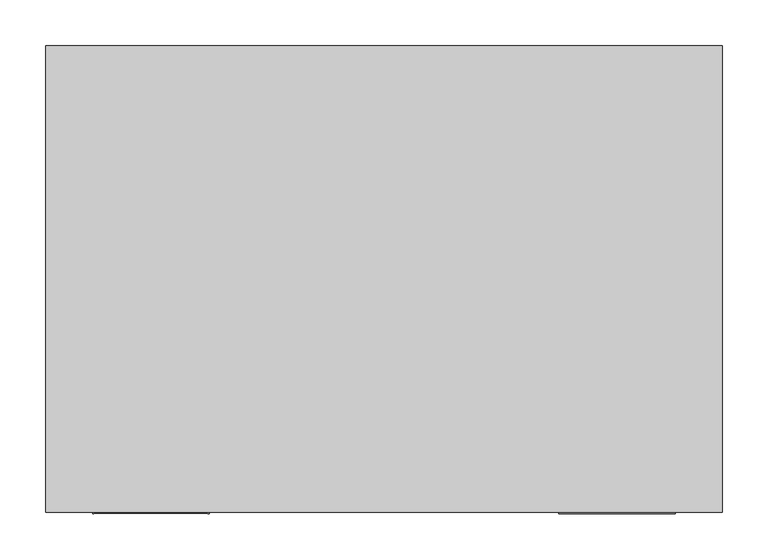
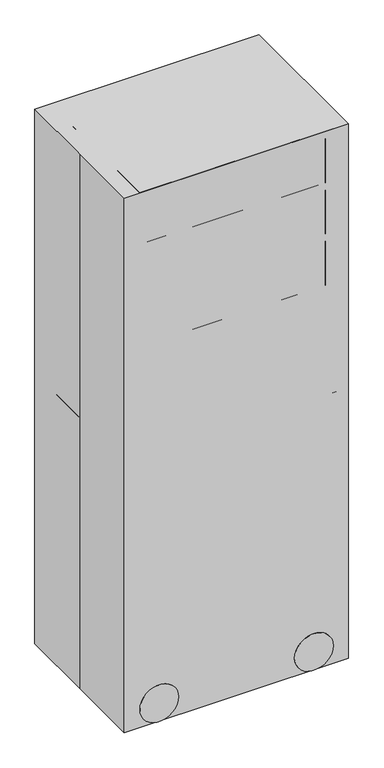
"""IFC4 building model written with IfcOpenShell, lengths in millimetres: proxy geometry."""

from ifc_helpers import new_model, si_unit, point, frame, frame_2d, origin, origin_with_axes, place, context, project, spatial, polyline, circle_curve, trimmed, segment, composite_curve, outline, extrude, source, transform, mapped, element, save
from ifc_brep_helpers import plane_surface, cylinder_surface, advanced_brep


def specialty_equipment_266f2fcc(model_context):
    return source(origin(), model_context, "Body", "SolidModel", [
        extrude(outline(polyline([(-368.3, 254.0), (368.3, 254.0), (368.3, -254.0), (-368.3, -254.0), (-368.3, 0.0), (-368.3, 254.0)])), origin_with_axes(), (0.0, 0.0, 1.0), 1854.2),
        extrude(outline(polyline([(-368.3, 254.0), (-317.5, 254.0), (-317.5, 228.6), (-342.9, 228.6), (-342.9, -228.6), (-317.5, -228.6), (-317.5, -254.0), (-368.3, -254.0), (-368.3, 254.0)])), frame((0.0, 0.0, 914.4), z_axis=(0.0, 0.0, 1.0), x_axis=(1.0, 0.0, 0.0)), (0.0, 0.0, 1.0), 25.4),
        extrude(outline(polyline([(368.3, 254.0), (368.3, -254.0), (317.5, -254.0), (317.5, -228.6), (342.9, -228.6), (342.9, 228.6), (317.5, 228.6), (317.5, 254.0), (368.3, 254.0)])), frame((0.0, 0.0, 914.4), z_axis=(0.0, 0.0, 1.0), x_axis=(1.0, 0.0, 0.0)), (0.0, 0.0, 1.0), 25.4),
        extrude(outline(polyline([(127.0, -317.5), (127.0, 317.5), (1828.8, 317.5), (1828.8, 292.1), (1676.4, 292.1), (1676.4, -292.1), (1828.8, -292.1), (1828.8, -317.5), (127.0, -317.5)]), holes=[polyline([(1651.0, -292.1), (1651.0, 292.1), (1498.6, 292.1), (1498.6, -292.1), (1651.0, -292.1)]), polyline([(1473.2, -292.1), (1473.2, 292.1), (1320.8, 292.1), (1320.8, -292.1), (1473.2, -292.1)])]), frame((0.0, -254.0, 0.0), z_axis=(0.0, 1.0, 0.0), x_axis=(0.0, 0.0, 1.0)), (0.0, 0.0, 1.0), 508.0),
        extrude(outline(composite_curve([segment(trimmed(circle_curve(frame_2d((63.5, 254.0)), 63.5), [point((63.5, 190.5))], [point((63.5, 317.5))], False, "CARTESIAN"), True, "CONTINUOUS"), segment(trimmed(circle_curve(frame_2d((63.5, 254.0)), 63.5), [point((63.5, 317.5))], [point((63.5, 190.5))], False, "CARTESIAN"), True, "CONTINUOUS")], self_intersect=False)), frame((0.0, 158.75, 0.0), z_axis=(0.0, 1.0, 0.0), x_axis=(0.0, 0.0, 1.0)), (0.0, 0.0, 1.0), 23.8125),
        extrude(outline(composite_curve([segment(trimmed(circle_curve(frame_2d((63.5, 254.0)), 63.5), [point((63.5, 190.5))], [point((63.5, 317.5))], False, "CARTESIAN"), True, "CONTINUOUS"), segment(trimmed(circle_curve(frame_2d((63.5, 254.0)), 63.5), [point((63.5, 317.5))], [point((63.5, 190.5))], False, "CARTESIAN"), True, "CONTINUOUS")], self_intersect=False)), frame((0.0, 230.1875, 0.0), z_axis=(0.0, 1.0, 0.0), x_axis=(0.0, 0.0, 1.0)), (0.0, 0.0, 1.0), 23.8125),
        advanced_brep(
        [(275.1666667, 227.5416667, 127.0), (275.1666667, 185.2083333, 127.0), (275.1666667, 227.5416667, 53.8442082), (295.2174332, 213.1569275, 53.8442082), (275.1666667, 185.2083333, 53.8442082), (254.0596152, 207.9625, 53.8442082), (275.1666667, 227.5416667, 100.1617421)],
        [
            (0, 1, circle_curve(frame((275.1666667, 206.375, 127.0), z_axis=(0.0, 0.0, 1.0), x_axis=(0.0, -1.0, 0.0)), 21.1666667)),
            (1, 0, circle_curve(frame((275.1666667, 206.375, 127.0), z_axis=(0.0, 0.0, 1.0), x_axis=(0.0, -1.0, 0.0)), 21.1666667)),
            (2, 3, circle_curve(frame((275.1666667, 206.375, 53.8442082), z_axis=(0.0, 0.0, -1.0), x_axis=(0.0, -1.0, 0.0)), 21.1666667)),
            (3, 4, circle_curve(frame((275.1666667, 206.375, 53.8442082), z_axis=(0.0, 0.0, -1.0), x_axis=(0.0, -1.0, 0.0)), 21.1666667)),
            (4, 5, circle_curve(frame((275.1666667, 206.375, 53.8442082), z_axis=(0.0, 0.0, -1.0), x_axis=(0.0, -1.0, 0.0)), 21.1666667)),
            (5, 2, circle_curve(frame((275.1666667, 206.375, 53.8442082), z_axis=(0.0, 0.0, -1.0), x_axis=(0.0, -1.0, 0.0)), 21.1666667)),
            (0, 6),
            (6, 2),
            (4, 1),
        ],
        [
            plane_surface(frame((275.1666667, 185.2083333, 127.0), z_axis=(0.0, 0.0, 1.0), x_axis=(1.0, 0.0, 0.0))),
            plane_surface(frame((275.1666667, 185.2083333, 53.8442082), z_axis=(0.0, 0.0, -1.0), x_axis=(-1.0, 0.0, 0.0))),
            cylinder_surface(frame((275.1666667, 206.375, 53.8442082), z_axis=(0.0, 0.0, 1.0), x_axis=(0.0, -1.0, 0.0)), 21.1666667),
        ],
        [
            (0, [[1, 2]]),
            (1, [[3, 4, 5, 6]]),
            (2, [[-1, 7, 8, -6, -5, 9]]),
            (2, [[-2, -9, -4, -3, -8, -7]]),
        ],
    ),
        extrude(outline(composite_curve([segment(trimmed(circle_curve(frame_2d((63.5, -254.0)), 63.5), [point((63.5, -190.5))], [point((63.5, -317.5))], False, "CARTESIAN"), True, "CONTINUOUS"), segment(trimmed(circle_curve(frame_2d((63.5, -254.0)), 63.5), [point((63.5, -317.5))], [point((63.5, -190.5))], False, "CARTESIAN"), True, "CONTINUOUS")], self_intersect=False)), frame((0.0, 158.75, 0.0), z_axis=(0.0, 1.0, 0.0), x_axis=(0.0, 0.0, 1.0)), (0.0, 0.0, 1.0), 23.8125),
        extrude(outline(composite_curve([segment(trimmed(circle_curve(frame_2d((63.5, -254.0)), 63.5), [point((63.5, -190.5))], [point((63.5, -317.5))], False, "CARTESIAN"), True, "CONTINUOUS"), segment(trimmed(circle_curve(frame_2d((63.5, -254.0)), 63.5), [point((63.5, -317.5))], [point((63.5, -190.5))], False, "CARTESIAN"), True, "CONTINUOUS")], self_intersect=False)), frame((0.0, 230.1875, 0.0), z_axis=(0.0, 1.0, 0.0), x_axis=(0.0, 0.0, 1.0)), (0.0, 0.0, 1.0), 23.8125),
        extrude(outline(composite_curve([segment(trimmed(circle_curve(frame_2d((63.5, -254.0)), 42.3333333), [point((63.5, -211.6666667))], [point((63.5, -296.3333333))], False, "CARTESIAN"), True, "CONTINUOUS"), segment(trimmed(circle_curve(frame_2d((63.5, -254.0)), 42.3333333), [point((63.5, -296.3333333))], [point((63.5, -211.6666667))], False, "CARTESIAN"), True, "CONTINUOUS")], self_intersect=False)), frame((0.0, 182.5625, 0.0), z_axis=(0.0, 1.0, 0.0), x_axis=(0.0, 0.0, 1.0)), (0.0, 0.0, 1.0), 47.625),
        extrude(outline(composite_curve([segment(trimmed(circle_curve(frame_2d((-275.1666667, 206.375)), 21.1666667), [point((-275.1666667, 227.5416667))], [point((-275.1666667, 185.2083333))], False, "CARTESIAN"), True, "CONTINUOUS"), segment(trimmed(circle_curve(frame_2d((-275.1666667, 206.375)), 21.1666667), [point((-275.1666667, 185.2083333))], [point((-275.1666667, 227.5416667))], False, "CARTESIAN"), True, "CONTINUOUS")], self_intersect=False)), frame((0.0, 0.0, 53.8442082), z_axis=(0.0, 0.0, 1.0), x_axis=(1.0, 0.0, 0.0)), (0.0, 0.0, 1.0), 73.1557918),
        extrude(outline(composite_curve([segment(trimmed(circle_curve(frame_2d((63.5, 254.0)), 63.5), [point((63.5, 190.5))], [point((63.5, 317.5))], False, "CARTESIAN"), True, "CONTINUOUS"), segment(trimmed(circle_curve(frame_2d((63.5, 254.0)), 63.5), [point((63.5, 317.5))], [point((63.5, 190.5))], False, "CARTESIAN"), True, "CONTINUOUS")], self_intersect=False)), frame((0.0, -184.15, 0.0), z_axis=(0.0, 1.0, 0.0), x_axis=(0.0, 0.0, 1.0)), (0.0, 0.0, 1.0), 23.8125),
        extrude(outline(composite_curve([segment(trimmed(circle_curve(frame_2d((63.5, 254.0)), 63.5), [point((63.5, 190.5))], [point((63.5, 317.5))], False, "CARTESIAN"), True, "CONTINUOUS"), segment(trimmed(circle_curve(frame_2d((63.5, 254.0)), 63.5), [point((63.5, 317.5))], [point((63.5, 190.5))], False, "CARTESIAN"), True, "CONTINUOUS")], self_intersect=False)), frame((0.0, -255.5875, 0.0), z_axis=(0.0, 1.0, 0.0), x_axis=(0.0, 0.0, 1.0)), (0.0, 0.0, 1.0), 23.8125),
        extrude(outline(composite_curve([segment(trimmed(circle_curve(frame_2d((63.5, 254.0)), 42.3333333), [point((63.5, 211.6666667))], [point((63.5, 296.3333333))], False, "CARTESIAN"), True, "CONTINUOUS"), segment(trimmed(circle_curve(frame_2d((63.5, 254.0)), 42.3333333), [point((63.5, 296.3333333))], [point((63.5, 211.6666667))], False, "CARTESIAN"), True, "CONTINUOUS")], self_intersect=False)), frame((0.0, -231.775, 0.0), z_axis=(0.0, 1.0, 0.0), x_axis=(0.0, 0.0, 1.0)), (0.0, 0.0, 1.0), 47.625),
        extrude(outline(composite_curve([segment(trimmed(circle_curve(frame_2d((275.1666667, -206.375)), 21.1666667), [point((275.1666667, -227.5416667))], [point((275.1666667, -185.2083333))], False, "CARTESIAN"), True, "CONTINUOUS"), segment(trimmed(circle_curve(frame_2d((275.1666667, -206.375)), 21.1666667), [point((275.1666667, -185.2083333))], [point((275.1666667, -227.5416667))], False, "CARTESIAN"), True, "CONTINUOUS")], self_intersect=False)), frame((0.0, 0.0, 53.8442082), z_axis=(0.0, 0.0, 1.0), x_axis=(1.0, 0.0, 0.0)), (0.0, 0.0, 1.0), 73.1557918),
        extrude(outline(composite_curve([segment(trimmed(circle_curve(frame_2d((63.5, -254.0)), 63.5), [point((63.5, -190.5))], [point((63.5, -317.5))], False, "CARTESIAN"), True, "CONTINUOUS"), segment(trimmed(circle_curve(frame_2d((63.5, -254.0)), 63.5), [point((63.5, -317.5))], [point((63.5, -190.5))], False, "CARTESIAN"), True, "CONTINUOUS")], self_intersect=False)), frame((0.0, -183.6208333, 0.0), z_axis=(0.0, 1.0, 0.0), x_axis=(0.0, 0.0, 1.0)), (0.0, 0.0, 1.0), 23.8125),
        extrude(outline(composite_curve([segment(trimmed(circle_curve(frame_2d((63.5, -254.0)), 63.5), [point((63.5, -190.5))], [point((63.5, -317.5))], False, "CARTESIAN"), True, "CONTINUOUS"), segment(trimmed(circle_curve(frame_2d((63.5, -254.0)), 63.5), [point((63.5, -317.5))], [point((63.5, -190.5))], False, "CARTESIAN"), True, "CONTINUOUS")], self_intersect=False)), frame((0.0, -255.0583333, 0.0), z_axis=(0.0, 1.0, 0.0), x_axis=(0.0, 0.0, 1.0)), (0.0, 0.0, 1.0), 23.8125),
        extrude(outline(composite_curve([segment(trimmed(circle_curve(frame_2d((63.5, -254.0)), 42.3333333), [point((63.5, -211.6666667))], [point((63.5, -296.3333333))], False, "CARTESIAN"), True, "CONTINUOUS"), segment(trimmed(circle_curve(frame_2d((63.5, -254.0)), 42.3333333), [point((63.5, -296.3333333))], [point((63.5, -211.6666667))], False, "CARTESIAN"), True, "CONTINUOUS")], self_intersect=False)), frame((0.0, -231.2458333, 0.0), z_axis=(0.0, 1.0, 0.0), x_axis=(0.0, 0.0, 1.0)), (0.0, 0.0, 1.0), 47.625),
        extrude(outline(composite_curve([segment(trimmed(circle_curve(frame_2d((-275.1666667, -206.375)), 21.1666667), [point((-275.1666667, -227.5416667))], [point((-275.1666667, -185.2083333))], False, "CARTESIAN"), True, "CONTINUOUS"), segment(trimmed(circle_curve(frame_2d((-275.1666667, -206.375)), 21.1666667), [point((-275.1666667, -185.2083333))], [point((-275.1666667, -227.5416667))], False, "CARTESIAN"), True, "CONTINUOUS")], self_intersect=False)), frame((0.0, 0.0, 53.8442082), z_axis=(0.0, 0.0, 1.0), x_axis=(1.0, 0.0, 0.0)), (0.0, 0.0, 1.0), 73.1557918),
        extrude(outline(polyline([(317.5, -254.0), (-317.5, -254.0), (-317.5, 254.0), (317.5, 254.0), (317.5, -254.0)])), frame((0.0, 0.0, 1828.8), z_axis=(0.0, 0.0, 1.0), x_axis=(1.0, 0.0, 0.0)), (0.0, 0.0, 1.0), 25.4),
    ])


if __name__ == "__main__":
    model = new_model("IFC4")
    model_context = context("Model", 3, world=origin())
    ifc_project = project(units=[si_unit("LENGTHUNIT", "METRE", prefix="MILLI")], contexts=[model_context])
    site = spatial("IfcSite", under=ifc_project)
    building = spatial("IfcBuilding", under=site)
    placement = place(None, origin())
    specialty_equipment_shape = specialty_equipment_266f2fcc(model_context)
    element("IfcBuildingElementProxy", 1, Name="Specialty Equipment", at=placement, inside=building, context=model_context, shape_type="MappedRepresentation", body=[
        mapped(specialty_equipment_shape, transform((0.0, 0.0, 0.0), x_axis=(1.0, 0.0, 0.0), y_axis=(0.0, 1.0, 0.0), z_axis=(0.0, 0.0, 1.0))),
    ])
    save(model, "model.ifc")
